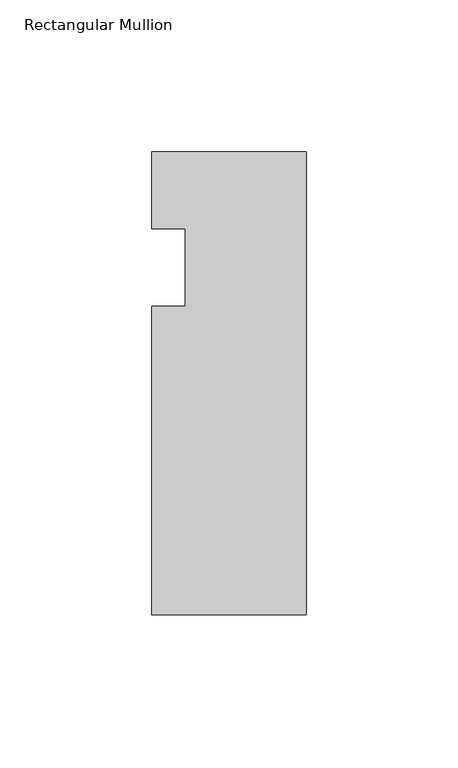
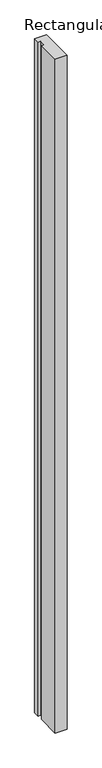
"""IFC4 building model written with IfcOpenShell, lengths in millimetres: member geometry, Rectangular Mullion."""

import ifcopenshell
import ifcopenshell.guid

model = None  # the IFC model being written
_history = None  # IfcOwnerHistory: only IFC2X3 demands one
_inside = {}  # id of a spatial element -> (the spatial element, [elements in it])
_under = {}  # id of a project, library or spatial element -> (it, [spatial elements below it])
_declared = {}  # id of a project -> (the project, [libraries it declares])
_typed = {}  # id of a type object -> (the type object, [elements of that type])
_made_of = {}  # id of a material, layer set ... -> (it, [elements and type objects made of it])


def new_model(schema):
    """Start an empty IFC model of exactly this schema.

    Asked for "IFC4X3", IfcOpenShell would pick the latest addendum, in which some entities
    have other attributes; the version numbers below select the first issue.
    IFC2X3 requires an IfcOwnerHistory on every rooted entity: one is made here for all.
    """
    global model, _history
    if schema == "IFC4X3":
        model = ifcopenshell.file(schema_version=(4, 3, 0, 0))
    else:
        model = ifcopenshell.file(schema=schema)
    _inside.clear()
    _under.clear()
    _declared.clear()
    _typed.clear()
    _made_of.clear()
    _history = None
    if model.schema == "IFC2X3":
        org = make("IfcOrganization", Name="unknown")
        user = make(
            "IfcPersonAndOrganization",
            ThePerson=make("IfcPerson", FamilyName="unknown"),
            TheOrganization=org,
        )
        app = make(
            "IfcApplication",
            ApplicationDeveloper=org,
            Version="unknown",
            ApplicationFullName="unknown",
            ApplicationIdentifier="unknown",
        )
        _history = make(
            "IfcOwnerHistory",
            OwningUser=user,
            OwningApplication=app,
            ChangeAction="ADDED",
            CreationDate=0,
        )
    return model


def make(cls, **values):
    """One entity of the class cls with the attributes given. An attribute that is None is left unset."""
    return model.create_entity(
        cls, **{name: value for name, value in values.items() if value is not None}
    )


def rooted(cls, **values):
    """An entity with a GlobalId (a new one), such as an element, a storey or a relation."""
    return make(cls, GlobalId=ifcopenshell.guid.new(), OwnerHistory=_history, **values)


def si_unit(unit_type, name, prefix=None):
    """IfcSIUnit, for example si_unit("LENGTHUNIT", "METRE", prefix="MILLI")."""
    return make("IfcSIUnit", UnitType=unit_type, Prefix=prefix, Name=name)


def assignment(units):
    """IfcUnitAssignment: the units of a project."""
    return None if units is None else make("IfcUnitAssignment", Units=units)


def point(xyz):
    """IfcCartesianPoint."""
    return None if xyz is None else make("IfcCartesianPoint", Coordinates=xyz)


def direction(xyz):
    """IfcDirection."""
    return None if xyz is None else make("IfcDirection", DirectionRatios=xyz)


def frame(location, z_axis=None, x_axis=None):
    """IfcAxis2Placement3D, a coordinate frame: its origin and axes. An axis left out is left unset."""
    return make(
        "IfcAxis2Placement3D",
        Location=point(location),
        Axis=direction(z_axis),
        RefDirection=direction(x_axis),
    )


def origin():
    """The frame at (0, 0, 0) with its axes left unset."""
    return frame((0.0, 0.0, 0.0))


def place(relative_to, where):
    """IfcLocalPlacement: puts the frame where relative to a parent placement (None: the world)."""
    return make(
        "IfcLocalPlacement", PlacementRelTo=relative_to, RelativePlacement=where
    )


def context(
    kind, dimensions, precision=None, world=None, true_north=None, identifier=None
):
    """IfcGeometricRepresentationContext, for example the 3D "Model" context."""
    return make(
        "IfcGeometricRepresentationContext",
        ContextIdentifier=identifier,
        ContextType=kind,
        CoordinateSpaceDimension=dimensions,
        Precision=precision,
        WorldCoordinateSystem=world,
        TrueNorth=true_north,
    )


def project(units=None, contexts=None):
    """IfcProject with its units and contexts."""
    return rooted(
        "IfcProject",
        Name="project",
        RepresentationContexts=contexts,
        UnitsInContext=assignment(units),
    )


def spatial(cls, under=None, at=None, **own):
    """A site, building, storey or space (cls), placed at a placement, below another one or the project."""
    s = rooted(cls, ObjectPlacement=at, **own)
    if under is not None:
        _under.setdefault(under.id(), (under, []))[1].append(s)
    return s


def polyline(points):
    """IfcPolyline through the points."""
    return make("IfcPolyline", Points=[point(p) for p in points])


def outline(outer, holes=None, kind="AREA"):
    """IfcArbitraryClosedProfileDef: a profile drawn as a closed curve; with holes, ...WithVoids."""
    if holes is None:
        return make("IfcArbitraryClosedProfileDef", ProfileType=kind, OuterCurve=outer)
    return make(
        "IfcArbitraryProfileDefWithVoids",
        ProfileType=kind,
        OuterCurve=outer,
        InnerCurves=holes,
    )


def extrude(swept, where, along, depth):
    """IfcExtrudedAreaSolid: the profile swept, set in the frame where, extruded along a direction by depth."""
    return make(
        "IfcExtrudedAreaSolid",
        SweptArea=swept,
        Position=where,
        ExtrudedDirection=direction(along),
        Depth=depth,
    )


def shape(context_of_items, identifier, shape_type, items):
    """IfcShapeRepresentation: the items that make up one representation, for example the "Body"."""
    return make(
        "IfcShapeRepresentation",
        ContextOfItems=context_of_items,
        RepresentationIdentifier=identifier,
        RepresentationType=shape_type,
        Items=items,
    )


def source(mapping_origin, context_of_items, identifier, shape_type, items):
    """IfcRepresentationMap: a shape defined once, which mapped items show again and again."""
    return make(
        "IfcRepresentationMap",
        MappingOrigin=mapping_origin,
        MappedRepresentation=shape(context_of_items, identifier, shape_type, items),
    )


def transform(
    local_origin,
    x_axis=None,
    y_axis=None,
    z_axis=None,
    scale=None,
    scale2=None,
    scale3=None,
    uniform=True,
):
    """IfcCartesianTransformationOperator3D, or its non-uniform kind. x_axis, y_axis, z_axis: its Axis1, 2, 3."""
    if uniform:
        return make(
            "IfcCartesianTransformationOperator3D",
            Axis1=direction(x_axis),
            Axis2=direction(y_axis),
            LocalOrigin=point(local_origin),
            Scale=scale,
            Axis3=direction(z_axis),
        )
    return make(
        "IfcCartesianTransformationOperator3DnonUniform",
        Axis1=direction(x_axis),
        Axis2=direction(y_axis),
        LocalOrigin=point(local_origin),
        Scale=scale,
        Axis3=direction(z_axis),
        Scale2=scale2,
        Scale3=scale3,
    )


def mapped(mapping_source, mapping_target):
    """IfcMappedItem: shows the shape of a source again, moved by a transform."""
    return make(
        "IfcMappedItem", MappingSource=mapping_source, MappingTarget=mapping_target
    )


def made_of(thing, what):
    """Note that an element or type object is made of a material, layer set ...; save() writes the relation."""
    if what is not None:
        _made_of.setdefault(what.id(), (what, []))[1].append(thing)
    return thing


def element(
    cls,
    number,
    at=None,
    inside=None,
    cuts=None,
    type_object=None,
    material=None,
    context=None,
    identifier="Body",
    shape_type=None,
    held_by="IfcProductDefinitionShape",
    body=None,
    shapes=None,
    **own,
):
    """One element of the class cls, such as IfcWall. Its Tag is "e" and its number.

    at: its placement. inside: the storey or other place that contains it. cuts: it is an
    opening in that element (IfcRelVoidsElement). A single representation is given by context,
    identifier, shape_type and body (its items); several are given by shapes. held_by: the class
    of the entity that holds the representations. save() writes the other relations.
    """
    e = rooted(cls, Tag="e%d" % number, ObjectPlacement=at, **own)
    if body is not None:
        shapes = [shape(context, identifier, shape_type, body)]
    if shapes is not None:
        e.Representation = make(held_by, Representations=shapes)
    if inside is not None:
        _inside.setdefault(inside.id(), (inside, []))[1].append(e)
    if cuts is not None:
        rooted(
            "IfcRelVoidsElement", RelatingBuildingElement=cuts, RelatedOpeningElement=e
        )
    if type_object is not None:
        _typed.setdefault(type_object.id(), (type_object, []))[1].append(e)
    return made_of(e, material)


def aggregate(whole, parts):
    """IfcRelAggregates: a whole, such as a stair, and the parts it consists of."""
    return rooted("IfcRelAggregates", RelatingObject=whole, RelatedObjects=parts)


def save(model, path):
    """Write the relations noted so far, then the file.

    IfcRelAggregates (storeys below a building ...), IfcRelContainedInSpatialStructure (elements
    in a storey), IfcRelDefinesByType, IfcRelAssociatesMaterial and IfcRelDeclares: one each for
    every whole, place, type object, material and project.
    """
    for whole, parts in _under.values():
        aggregate(whole, parts)
    for where, things in _inside.values():
        rooted(
            "IfcRelContainedInSpatialStructure",
            RelatedElements=things,
            RelatingStructure=where,
        )
    for kind, things in _typed.values():
        rooted("IfcRelDefinesByType", RelatedObjects=things, RelatingType=kind)
    for what, things in _made_of.values():
        rooted("IfcRelAssociatesMaterial", RelatedObjects=things, RelatingMaterial=what)
    for by, libraries in _declared.values():
        rooted("IfcRelDeclares", RelatingContext=by, RelatedDefinitions=libraries)
    model.write(path)


def rectangular_mullion_0c40c4fd(model_context):
    return source(origin(), model_context, "Body", "SweptSolid", [
        extrude(outline(polyline([(-50.8, -152.4), (-50.8, -50.8), (-39.8272, -50.8), (-39.8272, -25.4), (-50.8, -25.4), (-50.8, 0.0), (0.0, 0.0), (0.0, -152.4), (-50.8, -152.4)])), frame((0.0, 0.0, -3048.0), z_axis=(0.0, 0.0, 1.0), x_axis=(1.0, 0.0, 0.0)), (0.0, 0.0, 1.0), 3048.0),
    ])


if __name__ == "__main__":
    model = new_model("IFC4")
    model_context = context("Model", 3, world=origin())
    ifc_project = project(units=[si_unit("LENGTHUNIT", "METRE", prefix="MILLI")], contexts=[model_context])
    site = spatial("IfcSite", under=ifc_project)
    building = spatial("IfcBuilding", under=site)
    placement = place(None, origin())
    rectangular_mullion_shape = rectangular_mullion_0c40c4fd(model_context)
    element("IfcMember", 1, ObjectType="Rectangular Mullion", at=placement, inside=building, context=model_context, shape_type="MappedRepresentation", body=[
        mapped(rectangular_mullion_shape, transform((0.0, 0.0, 0.0), x_axis=(1.0, 0.0, 0.0), y_axis=(0.0, 1.0, 0.0), z_axis=(0.0, 0.0, 1.0))),
    ])
    save(model, "model.ifc")
